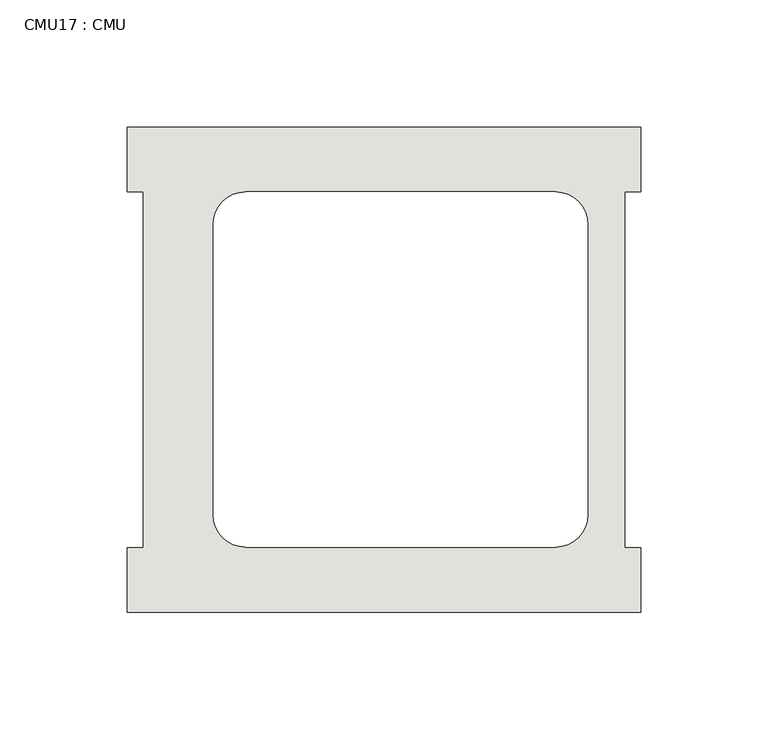
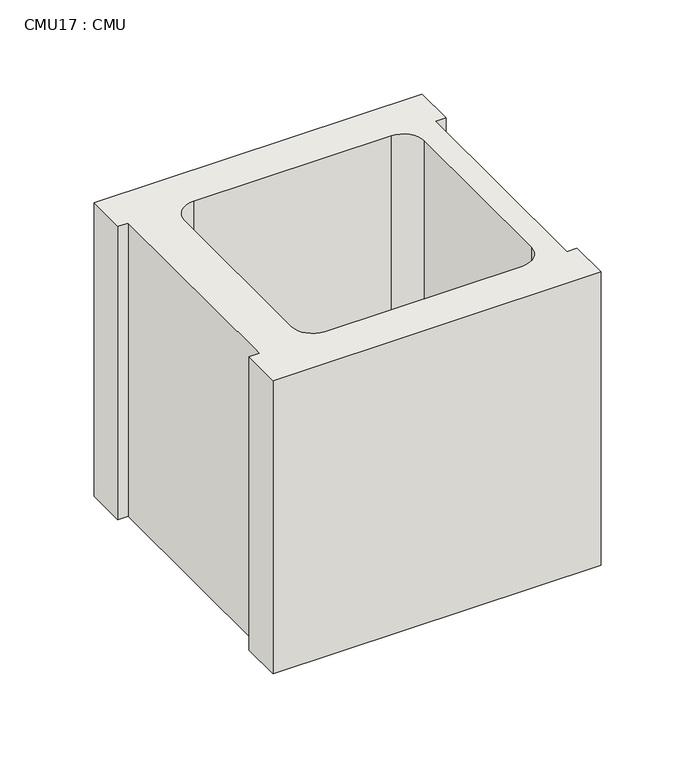
"""IFC4 building model written with IfcOpenShell, lengths in millimetres: wall geometry, CMU17 : CMU."""

from ifc_helpers import new_model, si_unit, point, frame, frame_2d, origin, place, context, project, spatial, polyline, circle_curve, trimmed, segment, composite_curve, outline, extrude, source, transform, mapped, element, save


def cmu17_cmu_d8bf7719(model_context):
    return source(origin(), model_context, "Body", "SweptSolid", [
        extrude(outline(polyline([(-747.8397938, 2484.2276522), (-546.2272938, 2484.2276522), (-546.2272938, 2458.8276522), (-552.5772938, 2458.8276522), (-552.5772938, 2319.1276522), (-546.2272938, 2319.1276522), (-546.2272938, 2293.7276522), (-747.8397938, 2293.7276522), (-747.8397938, 2319.1276522), (-741.4897938, 2319.1276522), (-741.4897938, 2458.8276522), (-747.8397938, 2458.8276522), (-747.8397938, 2484.2276522)]), holes=[composite_curve([segment(polyline([(-579.6717951, 2458.8276522), (-701.3884452, 2458.8276522)]), True, "CONTINUOUS"), segment(trimmed(circle_curve(frame_2d((-701.3884452, 2446.1276522)), 12.7), [point((-701.3884452, 2458.8276522))], [point((-714.0884452, 2446.1276522))], True, "CARTESIAN"), True, "CONTINUOUS"), segment(polyline([(-714.0884452, 2446.1276522), (-714.0884452, 2332.0618125)]), True, "CONTINUOUS"), segment(trimmed(circle_curve(frame_2d((-701.3884452, 2332.0618125)), 12.7), [point((-714.0884452, 2332.0618125))], [point((-701.3884452, 2319.3618125))], True, "CARTESIAN"), True, "CONTINUOUS"), segment(polyline([(-701.3884452, 2319.3618125), (-579.6717951, 2319.3618125)]), True, "CONTINUOUS"), segment(trimmed(circle_curve(frame_2d((-579.6717951, 2332.0618125)), 12.7), [point((-579.6717951, 2319.3618125))], [point((-566.9717951, 2332.0618125))], True, "CARTESIAN"), True, "CONTINUOUS"), segment(polyline([(-566.9717951, 2332.0618125), (-566.9717951, 2446.1276522)]), True, "CONTINUOUS"), segment(trimmed(circle_curve(frame_2d((-579.6717951, 2446.1276522)), 12.7), [point((-566.9717951, 2446.1276522))], [point((-579.6717951, 2458.8276522))], True, "CARTESIAN"), True, "CONTINUOUS")], self_intersect=False)]), frame((0.0, 0.0, 723.9), z_axis=(0.0, 0.0, 1.0), x_axis=(1.0, 0.0, 0.0)), (0.0, 0.0, 1.0), 190.5),
    ])


if __name__ == "__main__":
    model = new_model("IFC4")
    model_context = context("Model", 3, world=origin())
    ifc_project = project(units=[si_unit("LENGTHUNIT", "METRE", prefix="MILLI")], contexts=[model_context])
    site = spatial("IfcSite", under=ifc_project)
    building = spatial("IfcBuilding", under=site)
    placement = place(None, origin())
    cmu17_cmu_shape = cmu17_cmu_d8bf7719(model_context)
    element("IfcWall", 1, ObjectType="CMU17 : CMU", at=placement, inside=building, context=model_context, shape_type="MappedRepresentation", body=[
        mapped(cmu17_cmu_shape, transform((0.0, 0.0, 0.0), x_axis=(1.0, 0.0, 0.0), y_axis=(0.0, 1.0, 0.0), z_axis=(0.0, 0.0, 1.0))),
    ])
    save(model, "model.ifc")
